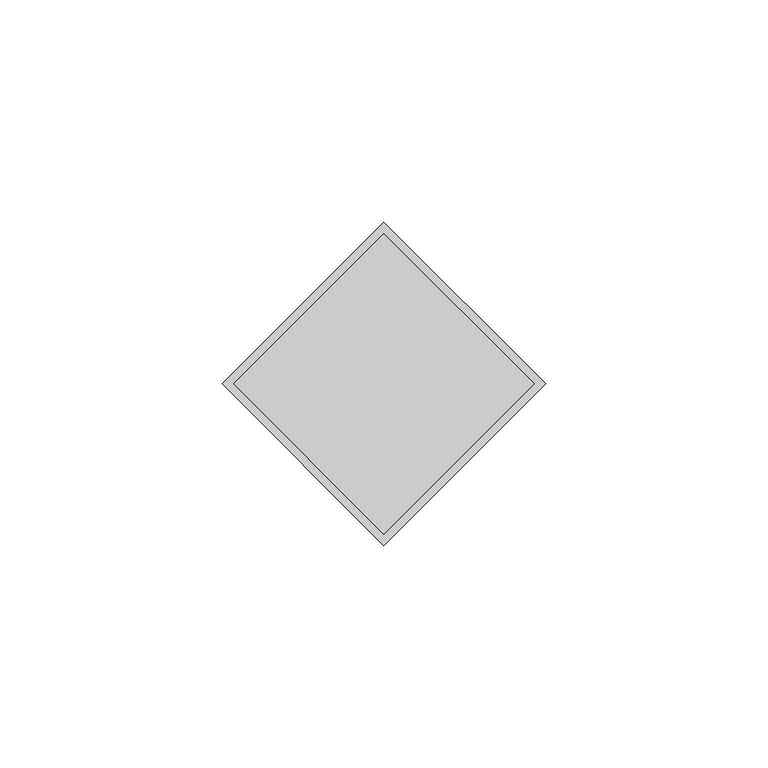
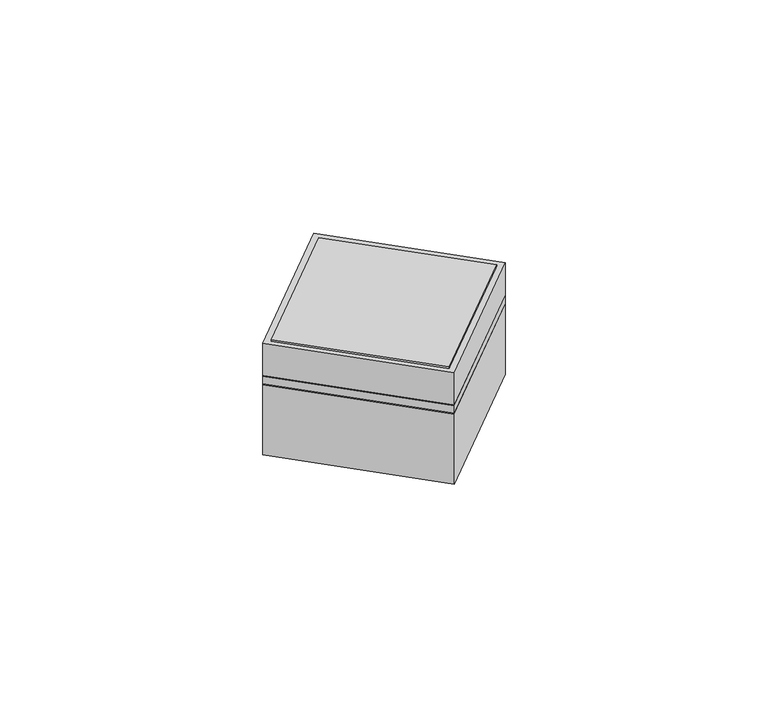
"""IFC4 building model written with IfcOpenShell, lengths in millimetres: furniture geometry."""

from ifc_helpers import new_model, si_unit, origin, place, context, project, spatial, triangles, source, transform, mapped, element, save


def furniture_9989d857(model_context):
    return source(origin(), model_context, "Body", "Tessellation", [
        triangles([(2e-06, -36.4489993, 0.0), (36.4489993, 2e-06, 0.0), (36.4489993, 2e-06, 22.2758001), (2e-06, -36.4489993, 22.2758001), (-2e-06, 36.4489993, 22.2758001), (-36.4489993, -2e-06, 22.2758001), (-36.4489993, -2e-06, 0.0), (-2e-06, 36.4489993, 0.0), (1.9e-06, -33.8328004, 24.8919717), (33.8328004, 1.9e-06, 24.8919717), (33.8328004, 1.9e-06, 35.6361719), (1.9e-06, -33.8328004, 35.6361719), (-1.9e-06, 33.8328004, 35.6361719), (-33.8328004, -1.9e-06, 35.6361719), (-33.8328004, -1.9e-06, 24.8919717), (-1.9e-06, 33.8328004, 24.8919717)], [[1, 2, 3], [1, 3, 4], [3, 5, 6], [3, 6, 4], [2, 1, 7], [2, 7, 8], [2, 8, 5], [2, 5, 3], [8, 7, 6], [8, 6, 5], [7, 1, 4], [7, 4, 6], [9, 10, 11], [9, 11, 12], [11, 13, 14], [11, 14, 12], [10, 9, 15], [10, 15, 16], [10, 16, 13], [10, 13, 11], [16, 15, 14], [16, 14, 13], [15, 9, 12], [15, 12, 14]]),
        triangles([(2e-06, -36.4489993, 22.2758046), (36.4489993, 2e-06, 22.2758046), (36.4489993, 2e-06, 24.8920058), (2e-06, -36.4489993, 24.8920058), (-2e-06, 36.4489993, 24.8920058), (-36.4489993, -2e-06, 24.8920058), (-36.4489993, -2e-06, 22.2758046), (-2e-06, 36.4489993, 22.2758046)], [[1, 2, 3], [1, 3, 4], [3, 5, 6], [3, 6, 4], [2, 1, 7], [2, 7, 8], [2, 8, 5], [2, 5, 3], [8, 7, 6], [8, 6, 5], [7, 1, 4], [7, 4, 6]]),
        triangles([(2e-06, -36.4489993, 24.8919717), (36.4489993, 2e-06, 24.8919717), (36.4489993, 2e-06, 35.3821744), (2e-06, -36.4489993, 35.3821744), (-2e-06, 36.4489993, 35.3821744), (-36.4489993, -2e-06, 35.3821744), (-36.4489993, -2e-06, 24.8919717), (-2e-06, 36.4489993, 24.8919717)], [[1, 2, 3], [1, 3, 4], [3, 5, 6], [3, 6, 4], [2, 1, 7], [2, 7, 8], [2, 8, 5], [2, 5, 3], [8, 7, 6], [8, 6, 5], [7, 1, 4], [7, 4, 6]]),
    ])


if __name__ == "__main__":
    model = new_model("IFC4")
    model_context = context("Model", 3, world=origin())
    ifc_project = project(units=[si_unit("LENGTHUNIT", "METRE", prefix="MILLI")], contexts=[model_context])
    site = spatial("IfcSite", under=ifc_project)
    building = spatial("IfcBuilding", under=site)
    placement = place(None, origin())
    furniture_shape = furniture_9989d857(model_context)
    element("IfcFurniture", 1, at=placement, inside=building, context=model_context, shape_type="MappedRepresentation", body=[
        mapped(furniture_shape, transform((0.0, 0.0, 0.0), x_axis=(1.0, 0.0, 0.0), y_axis=(0.0, 1.0, 0.0), z_axis=(0.0, 0.0, 1.0))),
    ])
    save(model, "model.ifc")
